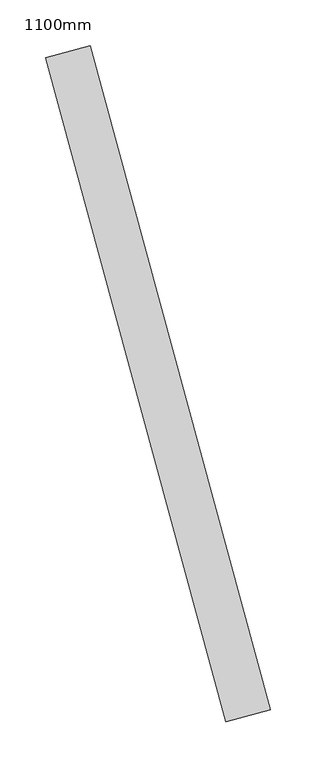
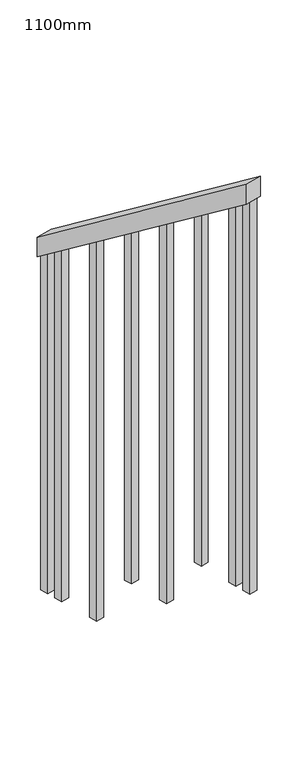
"""IFC4 building model written with IfcOpenShell, lengths in millimetres: railing geometry, 1100mm."""

from ifc_helpers import new_model, si_unit, frame, origin, place, context, project, spatial, polyline, outline, extrude, source, transform, mapped, element, save


def railing_1100mm_82fcceb8(model_context):
    return source(origin(), model_context, "Body", "SweptSolid", [
        extrude(outline(polyline([(35.5555555, -50.0), (0.0, 0.0), (920.2958461, 0.0), (955.8514017, -50.0), (35.5555555, -50.0)])), frame((228827.9464425, 47985.0891055, 1216.4247214), z_axis=(0.9649894123601869, 0.26228883703417755, 0.0), x_axis=(0.2137536843159486, -0.7864232597554053, 0.5795237863600081)), (0.0, 0.0, 1.0), 50.0),
        extrude(outline(polyline([(1271.980277, 25.0), (1271.980277, 0.0), (91.1111112, 0.0), (108.8888889, 25.0), (1271.980277, 25.0)])), frame((229023.610996, 47312.8751273, 1805.3136103), z_axis=(0.964989412360187, 0.26228883703417755, 0.0), x_axis=(0.0, 0.0, -1.0)), (0.0, 0.0, 1.0), 25.0),
        extrude(outline(polyline([(1183.0913881, 25.0), (1183.0913881, 0.0), (91.1111111, 0.0), (108.8888889, 25.0), (1183.0913881, 25.0)])), frame((228990.8248914, 47433.4988039, 1716.4247214), z_axis=(0.964989412360187, 0.26228883703417755, 0.0), x_axis=(0.0, 0.0, -1.0)), (0.0, 0.0, 1.0), 25.0),
        extrude(outline(polyline([(1271.9802769, 25.0), (1271.9802769, 0.0), (91.1111111, 0.0), (108.8888889, 25.0), (1271.9802769, 25.0)])), frame((228958.0387868, 47554.1224804, 1627.5358325), z_axis=(0.964989412360187, 0.26228883703417755, 0.0), x_axis=(0.0, 0.0, -1.0)), (0.0, 0.0, 1.0), 25.0),
        extrude(outline(polyline([(1183.091388, 25.0), (1183.091388, 0.0), (91.1111111, 0.0), (108.8888889, 25.0), (1183.091388, 25.0)])), frame((228925.2526821, 47674.746157, 1538.6469436), z_axis=(0.964989412360187, 0.26228883703417755, 0.0), x_axis=(0.0, 0.0, -1.0)), (0.0, 0.0, 1.0), 25.0),
        extrude(outline(polyline([(1271.9802769, 25.0), (1271.9802769, 0.0), (91.1111111, 0.0), (108.8888889, 25.0), (1271.9802769, 25.0)])), frame((228892.4665775, 47795.3698335, 1449.7580547), z_axis=(0.964989412360187, 0.26228883703417755, 0.0), x_axis=(0.0, 0.0, -1.0)), (0.0, 0.0, 1.0), 25.0),
        extrude(outline(polyline([(1183.091388, 25.0), (1183.091388, 0.0), (91.1111111, 0.0), (108.8888889, 25.0), (1183.091388, 25.0)])), frame((228859.6804729, 47915.9935101, 1360.8691658), z_axis=(0.964989412360187, 0.26228883703417755, 0.0), x_axis=(0.0, 0.0, -1.0)), (0.0, 0.0, 1.0), 25.0),
        extrude(outline(polyline([(1307.5358325, 25.0), (1307.5358325, 0.0), (91.1111111, 0.0), (108.8888889, 25.0), (1307.5358325, 25.0)])), frame((229036.7254379, 47264.6256567, 1840.8691658), z_axis=(0.964989412360187, 0.26228883703417755, 0.0), x_axis=(0.0, 0.0, -1.0)), (0.0, 0.0, 1.0), 25.0),
        extrude(outline(polyline([(1147.5358325, 25.0), (1147.5358325, 0.0), (91.1111112, 0.0), (108.8888889, 25.0), (1147.5358325, 25.0)])), frame((228846.566031, 47964.2429807, 1325.3136103), z_axis=(0.964989412360187, 0.26228883703417755, 0.0), x_axis=(0.0, 0.0, -1.0)), (0.0, 0.0, 1.0), 25.0),
    ])


if __name__ == "__main__":
    model = new_model("IFC4")
    model_context = context("Model", 3, world=origin())
    ifc_project = project(units=[si_unit("LENGTHUNIT", "METRE", prefix="MILLI")], contexts=[model_context])
    site = spatial("IfcSite", under=ifc_project)
    building = spatial("IfcBuilding", under=site)
    placement = place(None, origin())
    railing_1100mm_shape = railing_1100mm_82fcceb8(model_context)
    element("IfcRailing", 1, ObjectType="1100mm", at=placement, inside=building, context=model_context, shape_type="MappedRepresentation", body=[
        mapped(railing_1100mm_shape, transform((0.0, 0.0, 0.0), x_axis=(1.0, 0.0, 0.0), y_axis=(0.0, 1.0, 0.0), z_axis=(0.0, 0.0, 1.0))),
    ])
    save(model, "model.ifc")
